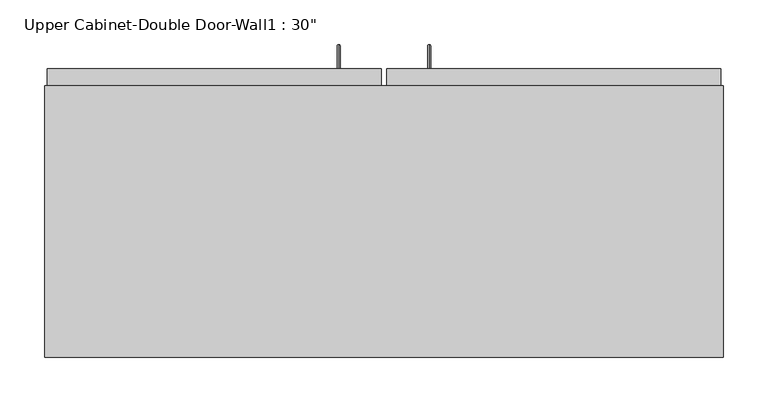
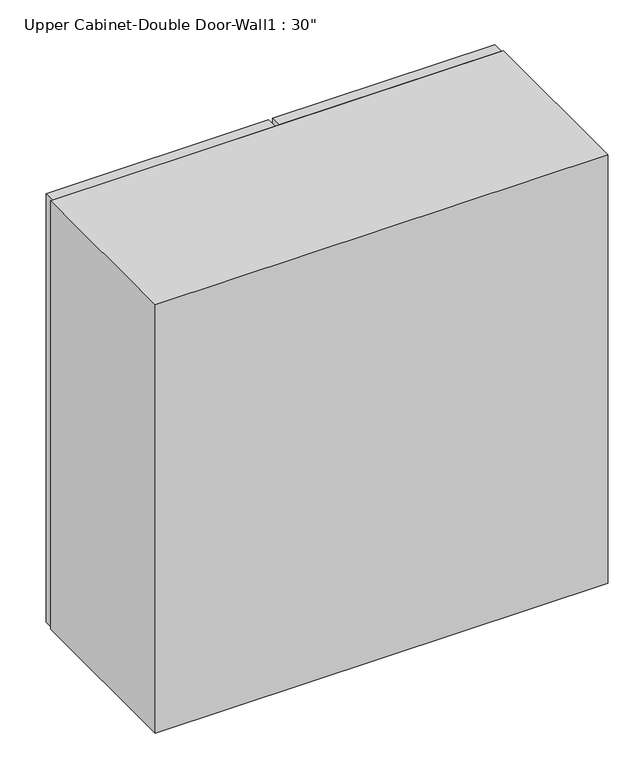
"""IFC4 building model written with IfcOpenShell, lengths in millimetres: furniture geometry."""

from ifc_helpers import new_model, si_unit, frame, origin, place, context, project, spatial, polyline, circle_curve, ellipse_curve, outline, extrude, faceted_brep, source, transform, mapped, element, save
from ifc_brep_helpers import plane_surface, cylinder_surface, advanced_brep


def furniture_50c2aaa1(model_context):
    return source(origin(), model_context, "Body", "SolidModel", [
        advanced_brep(
        [(80.5132081, 385.7625, 1425.575), (80.5132081, 385.7625, 1422.4), (80.5132081, 409.575, 1425.575), (80.5132081, 412.75, 1422.4), (80.5132081, 409.575, 1597.025), (80.5132081, 412.75, 1600.2), (80.5132081, 385.7625, 1597.025), (80.5132081, 385.7625, 1600.2)],
        [
            (0, 1, circle_curve(frame((80.5132081, 385.7625, 1423.9875), z_axis=(0.0, -1.0, 0.0), x_axis=(0.0, 0.0, -1.0)), 1.5875)),
            (1, 0, circle_curve(frame((80.5132081, 385.7625, 1423.9875), z_axis=(0.0, -1.0, 0.0), x_axis=(0.0, 0.0, -1.0)), 1.5875)),
            (0, 2),
            (2, 3, ellipse_curve(frame((80.5132081, 411.1625, 1423.9875), z_axis=(0.0, -0.7071067811865536, -0.7071067811865416), x_axis=(0.0, -0.7071067811865415, 0.7071067811865536)), 2.245064, 1.5875)),
            (3, 1),
            (3, 2, ellipse_curve(frame((80.5132081, 411.1625, 1423.9875), z_axis=(0.0, -0.7071067811865536, -0.7071067811865416), x_axis=(0.0, -0.7071067811865415, 0.7071067811865536)), 2.245064, 1.5875)),
            (2, 4),
            (4, 5, ellipse_curve(frame((80.5132081, 411.1625, 1598.6125), z_axis=(0.0, 0.7071067811865415, -0.7071067811865535), x_axis=(0.0, -0.7071067811865533, -0.7071067811865418)), 2.245064, 1.5875)),
            (5, 3),
            (5, 4, ellipse_curve(frame((80.5132081, 411.1625, 1598.6125), z_axis=(0.0, 0.7071067811865415, -0.7071067811865535), x_axis=(0.0, -0.7071067811865533, -0.7071067811865418)), 2.245064, 1.5875)),
            (6, 7, circle_curve(frame((80.5132081, 385.7625, 1598.6125), z_axis=(0.0, -1.0, 0.0), x_axis=(0.0, 0.0, 1.0)), 1.5875)),
            (7, 6, circle_curve(frame((80.5132081, 385.7625, 1598.6125), z_axis=(0.0, -1.0, 0.0), x_axis=(0.0, 0.0, 1.0)), 1.5875)),
            (4, 6),
            (7, 5),
        ],
        [
            plane_surface(frame((80.5132081, 385.7625, 1423.9875), z_axis=(0.0, -1.0, 0.0), x_axis=(-1.0, 0.0, 0.0))),
            cylinder_surface(frame((80.5132081, 385.7625, 1423.9875), z_axis=(0.0, -1.0, 0.0), x_axis=(0.0, 0.0, -1.0)), 1.5875),
            cylinder_surface(frame((80.5132081, 411.1625, 1423.9875), z_axis=(0.0, 0.0, -1.0), x_axis=(0.0, 1.0, 0.0)), 1.5875),
            plane_surface(frame((80.5132081, 385.7625, 1598.6125), z_axis=(0.0, -1.0, 0.0), x_axis=(-1.0, 0.0, 0.0))),
            cylinder_surface(frame((80.5132081, 411.1625, 1598.6125), z_axis=(0.0, 1.0, 0.0), x_axis=(0.0, 0.0, 1.0)), 1.5875),
        ],
        [
            (0, [[1, 2]]),
            (1, [[-1, 3, 4, 5]]),
            (1, [[-2, -5, 6, -3]]),
            (2, [[-4, 7, 8, 9]]),
            (2, [[-6, -9, 10, -7]]),
            (3, [[11, 12]]),
            (4, [[-8, 13, -12, 14]]),
            (4, [[-10, -14, -11, -13]]),
        ],
    ),
        advanced_brep(
        [(-21.0867919, 385.7625, 1425.575), (-21.0867919, 385.7625, 1422.4), (-21.0867919, 409.575, 1425.575), (-21.0867919, 412.75, 1422.4), (-21.0867919, 409.575, 1597.025), (-21.0867919, 412.75, 1600.2), (-21.0867919, 385.7625, 1597.025), (-21.0867919, 385.7625, 1600.2)],
        [
            (0, 1, circle_curve(frame((-21.0867919, 385.7625, 1423.9875), z_axis=(0.0, -1.0, 0.0), x_axis=(0.0, 0.0, -1.0)), 1.5875)),
            (1, 0, circle_curve(frame((-21.0867919, 385.7625, 1423.9875), z_axis=(0.0, -1.0, 0.0), x_axis=(0.0, 0.0, -1.0)), 1.5875)),
            (0, 2),
            (2, 3, ellipse_curve(frame((-21.0867919, 411.1625, 1423.9875), z_axis=(0.0, -0.7071067811865536, -0.7071067811865414), x_axis=(0.0, -0.7071067811865416, 0.7071067811865535)), 2.245064, 1.5875)),
            (3, 1),
            (3, 2, ellipse_curve(frame((-21.0867919, 411.1625, 1423.9875), z_axis=(0.0, -0.7071067811865536, -0.7071067811865414), x_axis=(0.0, -0.7071067811865416, 0.7071067811865535)), 2.245064, 1.5875)),
            (2, 4),
            (4, 5, ellipse_curve(frame((-21.0867919, 411.1625, 1598.6125), z_axis=(0.0, 0.7071067811865415, -0.7071067811865535), x_axis=(0.0, -0.7071067811865533, -0.7071067811865416)), 2.245064, 1.5875)),
            (5, 3),
            (5, 4, ellipse_curve(frame((-21.0867919, 411.1625, 1598.6125), z_axis=(0.0, 0.7071067811865415, -0.7071067811865535), x_axis=(0.0, -0.7071067811865533, -0.7071067811865416)), 2.245064, 1.5875)),
            (6, 7, circle_curve(frame((-21.0867919, 385.7625, 1598.6125), z_axis=(0.0, -1.0, 0.0), x_axis=(0.0, 0.0, 1.0)), 1.5875)),
            (7, 6, circle_curve(frame((-21.0867919, 385.7625, 1598.6125), z_axis=(0.0, -1.0, 0.0), x_axis=(0.0, 0.0, 1.0)), 1.5875)),
            (4, 6),
            (7, 5),
        ],
        [
            plane_surface(frame((-21.0867919, 385.7625, 1423.9875), z_axis=(0.0, -1.0, 0.0), x_axis=(-1.0, 0.0, 0.0))),
            cylinder_surface(frame((-21.0867919, 385.7625, 1423.9875), z_axis=(0.0, -1.0, 0.0), x_axis=(0.0, 0.0, -1.0)), 1.5875),
            cylinder_surface(frame((-21.0867919, 411.1625, 1423.9875), z_axis=(0.0, 0.0, -1.0), x_axis=(0.0, 1.0, 0.0)), 1.5875),
            plane_surface(frame((-21.0867919, 385.7625, 1598.6125), z_axis=(0.0, -1.0, 0.0), x_axis=(-1.0, 0.0, 0.0))),
            cylinder_surface(frame((-21.0867919, 411.1625, 1598.6125), z_axis=(0.0, 1.0, 0.0), x_axis=(0.0, 0.0, 1.0)), 1.5875),
        ],
        [
            (0, [[1, 2]]),
            (1, [[-1, 3, 4, 5]]),
            (1, [[-2, -5, 6, -3]]),
            (2, [[-4, 7, 8, 9]]),
            (2, [[-6, -9, 10, -7]]),
            (3, [[11, 12]]),
            (4, [[-8, 13, -12, 14]]),
            (4, [[-10, -14, -11, -13]]),
        ],
    ),
        faceted_brep([(-351.2288372, 61.9125, 2133.6), (-351.2288372, 61.9125, 1371.6), (410.7711628, 61.9125, 1371.6), (410.7711628, 61.9125, 2133.6), (-351.2288372, 366.7125, 2133.6), (410.7711628, 366.7125, 2133.6), (410.7711628, 366.7125, 1371.6), (-351.2288372, 366.7125, 1371.6), (391.7211628, 366.7125, 2114.55), (55.1711628, 366.7125, 2114.55), (55.1711628, 366.7125, 1390.65), (391.7211628, 366.7125, 1390.65), (-332.1788372, 366.7125, 2114.55), (-332.1788372, 366.7125, 1390.65), (4.3711628, 366.7125, 1390.65), (4.3711628, 366.7125, 2114.55), (-332.1788372, 80.9625, 2114.55), (4.3711628, 347.6625, 2114.55), (55.1711628, 347.6625, 2114.55), (391.7211628, 80.9625, 2114.55), (391.7211628, 80.9625, 1390.65), (55.1711628, 347.6625, 1390.65), (4.3711628, 347.6625, 1390.65), (-332.1788372, 80.9625, 1390.65)], [[[0, 1, 2, 3]], [[4, 5, 6, 7], [8, 9, 10, 11], [12, 13, 14, 15]], [[1, 0, 4, 7]], [[2, 1, 7, 6]], [[3, 2, 6, 5]], [[0, 3, 5, 4]], [[16, 12, 15, 17, 18, 9, 8, 19]], [[8, 11, 20, 19]], [[20, 11, 10, 21, 22, 14, 13, 23]], [[13, 12, 16, 23]], [[16, 19, 20, 23]], [[18, 21, 10, 9]], [[15, 14, 22, 17]], [[21, 18, 17, 22]]]),
        extrude(outline(polyline([(32.9461628, 385.7625), (407.5961628, 385.7625), (407.5961628, 366.7125), (32.9461628, 366.7125), (32.9461628, 385.7625)])), frame((0.0, 0.0, 1371.6), z_axis=(0.0, 0.0, 1.0), x_axis=(1.0, 0.0, 0.0)), (0.0, 0.0, 1.0), 762.0),
        extrude(outline(polyline([(-348.0538372, 385.7625), (26.5961628, 385.7625), (26.5961628, 366.7125), (-348.0538372, 366.7125), (-348.0538372, 385.7625)])), frame((0.0, 0.0, 1371.6), z_axis=(0.0, 0.0, 1.0), x_axis=(1.0, 0.0, 0.0)), (0.0, 0.0, 1.0), 762.0),
        extrude(outline(polyline([(391.7211628, 347.6625), (391.7211628, 80.9625), (-332.1788372, 80.9625), (-332.1788372, 347.6625), (391.7211628, 347.6625)])), frame((0.0, 0.0, 1951.0326388), z_axis=(0.0, 0.0, 1.0), x_axis=(1.0, 0.0, 0.0)), (0.0, 0.0, 1.0), 12.7),
        extrude(outline(polyline([(391.7211628, 347.6625), (391.7211628, 80.9625), (-332.1788372, 80.9625), (-332.1788372, 347.6625), (391.7211628, 347.6625)])), frame((0.0, 0.0, 1773.2326388), z_axis=(0.0, 0.0, 1.0), x_axis=(1.0, 0.0, 0.0)), (0.0, 0.0, 1.0), 12.7),
        extrude(outline(polyline([(391.7211628, 347.6625), (391.7211628, 80.9625), (-332.1788372, 80.9625), (-332.1788372, 347.6625), (391.7211628, 347.6625)])), frame((0.0, 0.0, 1595.4326388), z_axis=(0.0, 0.0, 1.0), x_axis=(1.0, 0.0, 0.0)), (0.0, 0.0, 1.0), 12.7),
    ])


if __name__ == "__main__":
    model = new_model("IFC4")
    model_context = context("Model", 3, world=origin())
    ifc_project = project(units=[si_unit("LENGTHUNIT", "METRE", prefix="MILLI")], contexts=[model_context])
    site = spatial("IfcSite", under=ifc_project)
    building = spatial("IfcBuilding", under=site)
    placement = place(None, origin())
    furniture_shape = furniture_50c2aaa1(model_context)
    element("IfcFurniture", 1, ObjectType="Upper Cabinet-Double Door-Wall1 : 30\"", at=placement, inside=building, context=model_context, shape_type="MappedRepresentation", body=[
        mapped(furniture_shape, transform((0.0, 0.0, 0.0), x_axis=(1.0, 0.0, 0.0), y_axis=(0.0, 1.0, 0.0), z_axis=(0.0, 0.0, 1.0))),
    ])
    save(model, "model.ifc")
